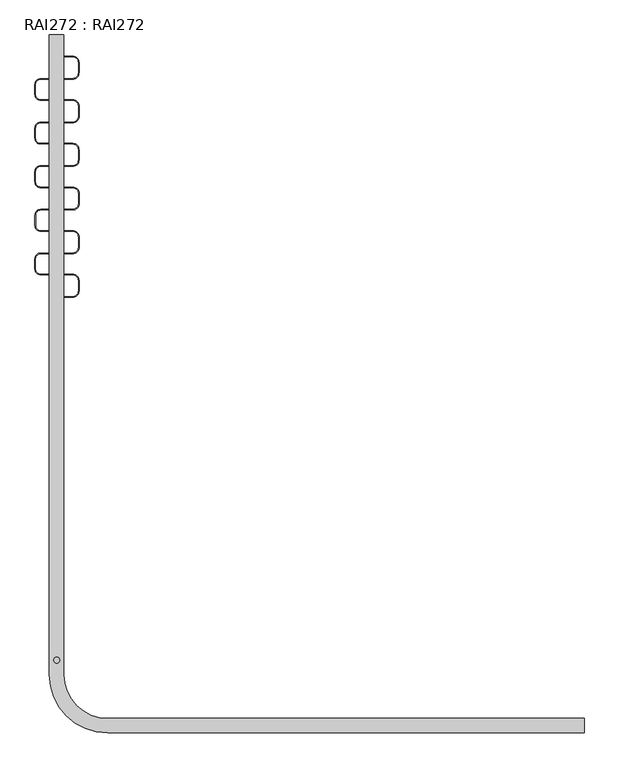
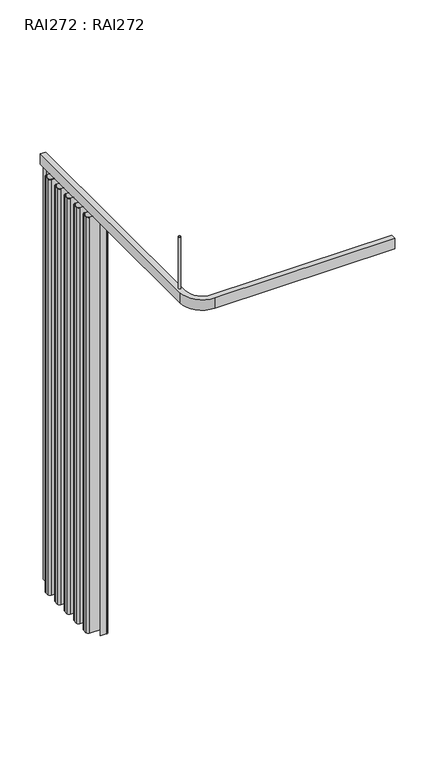
"""IFC4 building model written with IfcOpenShell, lengths in millimetres: proxy geometry, RAI272 : RAI272."""

from ifc_helpers import new_model, si_unit, point, frame, frame_2d, origin, origin_with_axes, place, context, project, spatial, polyline, circle_curve, trimmed, segment, composite_curve, outline, extrude, source, transform, mapped, element, save


def rai272_rai272_079c7062(model_context):
    return source(origin(), model_context, "Body", "SweptSolid", [
        extrude(outline(composite_curve([segment(polyline([(1e-07, -27.5000001), (1e-07, 0.0), (1.0000001, 0.0), (1.0000001, -27.5000001)]), True, "CONTINUOUS"), segment(trimmed(circle_curve(frame_2d((10.0, -27.5000001)), 8.9999999), [point((1.0000001, -27.5000001))], [point((10.0, -36.5))], True, "CARTESIAN"), True, "CONTINUOUS"), segment(polyline([(10.0, -36.5), (27.5, -36.5)]), True, "CONTINUOUS"), segment(trimmed(circle_curve(frame_2d((27.5, -47.5)), 11.0), [point((27.5, -36.5))], [point((38.5, -47.5))], False, "CARTESIAN"), True, "CONTINUOUS"), segment(polyline([(38.5, -47.5), (38.5, -65.0)]), True, "CONTINUOUS"), segment(trimmed(circle_curve(frame_2d((27.5, -65.0)), 11.0), [point((38.5, -65.0))], [point((27.5, -76.0))], False, "CARTESIAN"), True, "CONTINUOUS"), segment(polyline([(27.5, -76.0), (-27.5, -76.0)]), True, "CONTINUOUS"), segment(trimmed(circle_curve(frame_2d((-27.5, -85.0027303)), 9.0027303), [point((-27.5, -76.0))], [point((-36.5027303, -85.0027303))], True, "CARTESIAN"), True, "CONTINUOUS"), segment(polyline([(-36.5027303, -85.0027303), (-36.5027303, -102.5)]), True, "CONTINUOUS"), segment(trimmed(circle_curve(frame_2d((-27.5467032, -102.5)), 8.956027), [point((-36.5027303, -102.5))], [point((-27.5467032, -111.456027))], True, "CARTESIAN"), True, "CONTINUOUS"), segment(polyline([(-27.5467032, -111.456027), (27.5, -111.456027)]), True, "CONTINUOUS"), segment(trimmed(circle_curve(frame_2d((27.5, -122.4928521)), 11.036825), [point((27.5, -111.456027))], [point((38.536825, -122.4928521))], False, "CARTESIAN"), True, "CONTINUOUS"), segment(polyline([(38.536825, -122.4928521), (38.536825, -139.8548779)]), True, "CONTINUOUS"), segment(trimmed(circle_curve(frame_2d((27.3831058, -139.8548779)), 11.1537192), [point((38.536825, -139.8548779))], [point((27.3831058, -151.0085971))], False, "CARTESIAN"), True, "CONTINUOUS"), segment(polyline([(27.3831058, -151.0085971), (-27.5, -151.0085971)]), True, "CONTINUOUS"), segment(trimmed(circle_curve(frame_2d((-27.5, -160.0499422)), 9.041345), [point((-27.5, -151.0085971))], [point((-36.541345, -160.0499422))], True, "CARTESIAN"), True, "CONTINUOUS"), segment(polyline([(-36.541345, -160.0499422), (-36.541345, -177.5)]), True, "CONTINUOUS"), segment(trimmed(circle_curve(frame_2d((-27.5560279, -177.5)), 8.9853171), [point((-36.541345, -177.5))], [point((-27.5560279, -186.4853171))], True, "CARTESIAN"), True, "CONTINUOUS"), segment(polyline([(-27.5560279, -186.4853171), (27.5, -186.4853171)]), True, "CONTINUOUS"), segment(trimmed(circle_curve(frame_2d((27.5, -197.4853171)), 11.0), [point((27.5, -186.4853171))], [point((38.5, -197.4853171))], False, "CARTESIAN"), True, "CONTINUOUS"), segment(polyline([(38.5, -197.4853171), (38.5, -215.0)]), True, "CONTINUOUS"), segment(trimmed(circle_curve(frame_2d((27.5, -215.0)), 11.0), [point((38.5, -215.0))], [point((27.5, -226.0))], False, "CARTESIAN"), True, "CONTINUOUS"), segment(polyline([(27.5, -226.0), (-27.5, -226.0)]), True, "CONTINUOUS"), segment(trimmed(circle_curve(frame_2d((-27.5, -235.02778)), 9.02778), [point((-27.5, -226.0))], [point((-36.52778, -235.02778))], True, "CARTESIAN"), True, "CONTINUOUS"), segment(polyline([(-36.52778, -235.02778), (-36.52778, -252.5)]), True, "CONTINUOUS"), segment(trimmed(circle_curve(frame_2d((-27.52778, -252.5)), 9.0), [point((-36.52778, -252.5))], [point((-27.52778, -261.5))], True, "CARTESIAN"), True, "CONTINUOUS"), segment(polyline([(-27.52778, -261.5), (27.5, -261.5)]), True, "CONTINUOUS"), segment(trimmed(circle_curve(frame_2d((27.5, -272.5292154)), 11.0292154), [point((27.5, -261.5))], [point((38.5292154, -272.5292154))], False, "CARTESIAN"), True, "CONTINUOUS"), segment(polyline([(38.5292154, -272.5292154), (38.5292154, -290.0)]), True, "CONTINUOUS"), segment(trimmed(circle_curve(frame_2d((27.5472287, -290.0)), 10.9819867), [point((38.5292154, -290.0))], [point((27.5472287, -300.9819867))], False, "CARTESIAN"), True, "CONTINUOUS"), segment(polyline([(27.5472287, -300.9819867), (-27.5, -300.9819867)]), True, "CONTINUOUS"), segment(trimmed(circle_curve(frame_2d((-27.5, -309.9371626)), 8.9551759), [point((-27.5, -300.9819867))], [point((-36.4551759, -309.9371626))], True, "CARTESIAN"), True, "CONTINUOUS"), segment(polyline([(-36.4551759, -309.9371626), (-36.4551759, -327.5)]), True, "CONTINUOUS"), segment(trimmed(circle_curve(frame_2d((-27.4475893, -327.5)), 9.0075866), [point((-36.4551759, -327.5))], [point((-27.4475893, -336.5075866))], True, "CARTESIAN"), True, "CONTINUOUS"), segment(polyline([(-27.4475893, -336.5075866), (27.5, -336.5075866)]), True, "CONTINUOUS"), segment(trimmed(circle_curve(frame_2d((27.5, -347.5368021)), 11.0292154), [point((27.5, -336.5075866))], [point((38.5292154, -347.5368021))], False, "CARTESIAN"), True, "CONTINUOUS"), segment(polyline([(38.5292154, -347.5368021), (38.5292154, -365.0)]), True, "CONTINUOUS"), segment(trimmed(circle_curve(frame_2d((27.5292154, -365.0)), 11.0), [point((38.5292154, -365.0))], [point((27.5292154, -376.0))], False, "CARTESIAN"), True, "CONTINUOUS"), segment(polyline([(27.5292154, -376.0), (-27.5, -376.0)]), True, "CONTINUOUS"), segment(trimmed(circle_curve(frame_2d((-27.5, -385.0186145)), 9.0186145), [point((-27.5, -376.0))], [point((-36.5186145, -385.0186145))], True, "CARTESIAN"), True, "CONTINUOUS"), segment(polyline([(-36.5186145, -385.0186145), (-36.5186145, -402.5)]), True, "CONTINUOUS"), segment(trimmed(circle_curve(frame_2d((-27.5186145, -402.5)), 9.0), [point((-36.5186145, -402.5))], [point((-27.5186145, -411.5))], True, "CARTESIAN"), True, "CONTINUOUS"), segment(polyline([(-27.5186145, -411.5), (27.5, -411.5)]), True, "CONTINUOUS"), segment(trimmed(circle_curve(frame_2d((27.5, -422.5)), 11.0), [point((27.5, -411.5))], [point((38.5, -422.5))], False, "CARTESIAN"), True, "CONTINUOUS"), segment(polyline([(38.5, -422.5), (38.5, -440.0)]), True, "CONTINUOUS"), segment(trimmed(circle_curve(frame_2d((27.5, -440.0)), 11.0), [point((38.5, -440.0))], [point((27.5, -451.0))], False, "CARTESIAN"), True, "CONTINUOUS"), segment(polyline([(27.5, -451.0), (0.0, -451.0), (0.0, -450.0), (27.5, -450.0)]), True, "CONTINUOUS"), segment(trimmed(circle_curve(frame_2d((27.5, -440.0)), 10.0), [point((27.5, -450.0))], [point((37.5, -440.0))], True, "CARTESIAN"), True, "CONTINUOUS"), segment(polyline([(37.5, -440.0), (37.5, -422.5)]), True, "CONTINUOUS"), segment(trimmed(circle_curve(frame_2d((27.5, -422.5)), 10.0), [point((37.5, -422.5))], [point((27.5, -412.5))], True, "CARTESIAN"), True, "CONTINUOUS"), segment(polyline([(27.5, -412.5), (-27.5, -412.5)]), True, "CONTINUOUS"), segment(trimmed(circle_curve(frame_2d((-27.5, -402.5)), 10.0), [point((-27.5, -412.5))], [point((-37.5, -402.5))], False, "CARTESIAN"), True, "CONTINUOUS"), segment(polyline([(-37.5, -402.5), (-37.5, -385.0)]), True, "CONTINUOUS"), segment(trimmed(circle_curve(frame_2d((-27.5, -385.0)), 10.0), [point((-37.5, -385.0))], [point((-27.5, -375.0))], False, "CARTESIAN"), True, "CONTINUOUS"), segment(polyline([(-27.5, -375.0), (27.5, -375.0)]), True, "CONTINUOUS"), segment(trimmed(circle_curve(frame_2d((27.5, -365.0)), 10.0), [point((27.5, -375.0))], [point((37.5, -365.0))], True, "CARTESIAN"), True, "CONTINUOUS"), segment(polyline([(37.5, -365.0), (37.5, -347.5)]), True, "CONTINUOUS"), segment(trimmed(circle_curve(frame_2d((27.5, -347.5)), 10.0), [point((37.5, -347.5))], [point((27.5, -337.5))], True, "CARTESIAN"), True, "CONTINUOUS"), segment(polyline([(27.5, -337.5), (-27.5, -337.5)]), True, "CONTINUOUS"), segment(trimmed(circle_curve(frame_2d((-27.5, -327.5)), 10.0), [point((-27.5, -337.5))], [point((-37.5, -327.5))], False, "CARTESIAN"), True, "CONTINUOUS"), segment(polyline([(-37.5, -327.5), (-37.5, -310.0)]), True, "CONTINUOUS"), segment(trimmed(circle_curve(frame_2d((-27.5, -310.0)), 10.0), [point((-37.5, -310.0))], [point((-27.5, -300.0))], False, "CARTESIAN"), True, "CONTINUOUS"), segment(polyline([(-27.5, -300.0), (27.5, -300.0)]), True, "CONTINUOUS"), segment(trimmed(circle_curve(frame_2d((27.5, -290.0)), 10.0), [point((27.5, -300.0))], [point((37.5, -290.0))], True, "CARTESIAN"), True, "CONTINUOUS"), segment(polyline([(37.5, -290.0), (37.5, -272.5)]), True, "CONTINUOUS"), segment(trimmed(circle_curve(frame_2d((27.5, -272.5)), 10.0), [point((37.5, -272.5))], [point((27.5, -262.5))], True, "CARTESIAN"), True, "CONTINUOUS"), segment(polyline([(27.5, -262.5), (-27.5, -262.5)]), True, "CONTINUOUS"), segment(trimmed(circle_curve(frame_2d((-27.5, -252.5)), 10.0), [point((-27.5, -262.5))], [point((-37.5, -252.5))], False, "CARTESIAN"), True, "CONTINUOUS"), segment(polyline([(-37.5, -252.5), (-37.5, -235.0)]), True, "CONTINUOUS"), segment(trimmed(circle_curve(frame_2d((-27.5, -235.0)), 10.0), [point((-37.5, -235.0))], [point((-27.5, -225.0))], False, "CARTESIAN"), True, "CONTINUOUS"), segment(polyline([(-27.5, -225.0), (27.5, -225.0)]), True, "CONTINUOUS"), segment(trimmed(circle_curve(frame_2d((27.5, -215.0)), 10.0), [point((27.5, -225.0))], [point((37.5, -215.0))], True, "CARTESIAN"), True, "CONTINUOUS"), segment(polyline([(37.5, -215.0), (37.5, -197.5)]), True, "CONTINUOUS"), segment(trimmed(circle_curve(frame_2d((27.5, -197.5)), 10.0), [point((37.5, -197.5))], [point((27.5, -187.5))], True, "CARTESIAN"), True, "CONTINUOUS"), segment(polyline([(27.5, -187.5), (-27.5, -187.5)]), True, "CONTINUOUS"), segment(trimmed(circle_curve(frame_2d((-27.5, -177.5)), 10.0), [point((-27.5, -187.5))], [point((-37.5, -177.5))], False, "CARTESIAN"), True, "CONTINUOUS"), segment(polyline([(-37.5, -177.5), (-37.5, -160.0)]), True, "CONTINUOUS"), segment(trimmed(circle_curve(frame_2d((-27.5, -160.0)), 10.0), [point((-37.5, -160.0))], [point((-27.5, -150.0))], False, "CARTESIAN"), True, "CONTINUOUS"), segment(polyline([(-27.5, -150.0), (27.5, -150.0)]), True, "CONTINUOUS"), segment(trimmed(circle_curve(frame_2d((27.5, -139.9558746)), 10.0441254), [point((27.5, -150.0))], [point((37.5, -140.8963289))], True, "CARTESIAN"), True, "CONTINUOUS"), segment(polyline([(37.5, -140.8963289), (37.5, -122.5)]), True, "CONTINUOUS"), segment(trimmed(circle_curve(frame_2d((27.5, -122.5)), 10.0), [point((37.5, -122.5))], [point((27.5, -112.5))], True, "CARTESIAN"), True, "CONTINUOUS"), segment(polyline([(27.5, -112.5), (-27.5, -112.5)]), True, "CONTINUOUS"), segment(trimmed(circle_curve(frame_2d((-27.5, -102.5)), 10.0), [point((-27.5, -112.5))], [point((-37.5, -102.5))], False, "CARTESIAN"), True, "CONTINUOUS"), segment(polyline([(-37.5, -102.5), (-37.5, -85.0)]), True, "CONTINUOUS"), segment(trimmed(circle_curve(frame_2d((-27.5, -85.0)), 10.0), [point((-37.5, -85.0))], [point((-27.5, -75.0))], False, "CARTESIAN"), True, "CONTINUOUS"), segment(polyline([(-27.5, -75.0), (27.5, -75.0)]), True, "CONTINUOUS"), segment(trimmed(circle_curve(frame_2d((27.5, -65.0)), 10.0), [point((27.5, -75.0))], [point((37.5, -65.0))], True, "CARTESIAN"), True, "CONTINUOUS"), segment(polyline([(37.5, -65.0), (37.5, -47.5)]), True, "CONTINUOUS"), segment(trimmed(circle_curve(frame_2d((27.5, -47.5)), 10.0), [point((37.5, -47.5))], [point((27.5, -37.5))], True, "CARTESIAN"), True, "CONTINUOUS"), segment(polyline([(27.5, -37.5), (10.0, -37.5)]), True, "CONTINUOUS"), segment(trimmed(circle_curve(frame_2d((10.0, -27.5000001)), 9.9999999), [point((10.0, -37.5))], [point((1e-07, -27.5000001))], False, "CARTESIAN"), True, "CONTINUOUS")], self_intersect=False)), frame((0.0, 0.0, -2000.0), z_axis=(0.0, 0.0, 1.0), x_axis=(1.0, 0.0, 0.0)), (0.0, 0.0, 1.0), 2000.0),
        extrude(outline(composite_curve([segment(trimmed(circle_curve(frame_2d((0.0, -1075.0000227)), 4.9999944), [point((-4.9999944, -1075.0000227))], [point((4.9999944, -1075.0000227))], False, "CARTESIAN"), True, "CONTINUOUS"), segment(trimmed(circle_curve(frame_2d((0.0, -1075.0000227)), 4.9999944), [point((4.9999944, -1075.0000227))], [point((-4.9999944, -1075.0000227))], False, "CARTESIAN"), True, "CONTINUOUS")], self_intersect=False)), frame((0.0, 0.0, 50.0), z_axis=(0.0, 0.0, 1.0), x_axis=(1.0, 0.0, 0.0)), (0.0, 0.0, 1.0), 250.0000023),
        extrude(outline(composite_curve([segment(polyline([(12.5000002, 0.0), (12.5000002, -1100.0)]), True, "CONTINUOUS"), segment(trimmed(circle_curve(frame_2d((87.5000002, -1100.0)), 75.0), [point((12.5000002, -1100.0))], [point((87.5000002, -1175.0))], True, "CARTESIAN"), True, "CONTINUOUS"), segment(polyline([(87.5000002, -1175.0), (907.5, -1175.0), (907.5, -1200.0000092), (87.5000091, -1200.0000092)]), True, "CONTINUOUS"), segment(trimmed(circle_curve(frame_2d((87.5000091, -1100.0)), 100.0000091), [point((87.5000091, -1200.0000092))], [point((-12.5, -1100.0))], False, "CARTESIAN"), True, "CONTINUOUS"), segment(polyline([(-12.5, -1100.0), (-12.5, 0.0), (12.5000002, 0.0)]), True, "CONTINUOUS")], self_intersect=False)), origin_with_axes(), (0.0, 0.0, 1.0), 50.0),
    ])


if __name__ == "__main__":
    model = new_model("IFC4")
    model_context = context("Model", 3, world=origin())
    ifc_project = project(units=[si_unit("LENGTHUNIT", "METRE", prefix="MILLI")], contexts=[model_context])
    site = spatial("IfcSite", under=ifc_project)
    building = spatial("IfcBuilding", under=site)
    placement = place(None, origin())
    rai272_rai272_shape = rai272_rai272_079c7062(model_context)
    element("IfcBuildingElementProxy", 1, Name="RAI272 : RAI272", ObjectType="RAI272 : RAI272", at=placement, inside=building, context=model_context, shape_type="MappedRepresentation", body=[
        mapped(rai272_rai272_shape, transform((0.0, 0.0, 0.0), x_axis=(1.0, 0.0, 0.0), y_axis=(0.0, 1.0, 0.0), z_axis=(0.0, 0.0, 1.0))),
    ])
    save(model, "model.ifc")
